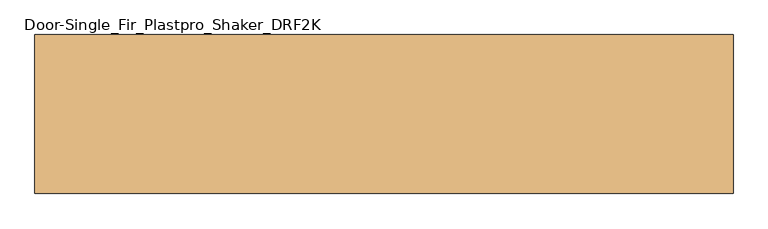
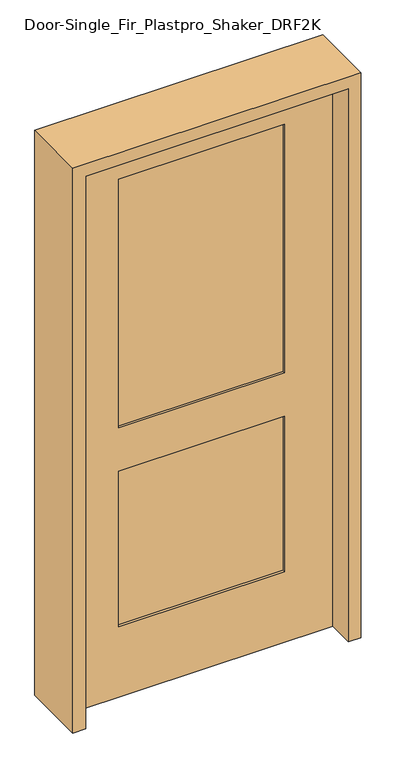
"""IFC4 building model written with IfcOpenShell, lengths in millimetres: door geometry, Door-Single_Fir_Plastpro_Shaker_DRF2K."""

from ifc_helpers import new_model, si_unit, frame, origin, place, context, project, spatial, polyline, outline, extrude, source, transform, mapped, element, save


def door_single_fir_plastpro_shaker_drf2k_55517ecd(model_context):
    return source(origin(), model_context, "Body", "SweptSolid", [
        extrude(outline(polyline([(2032.0, 457.2), (2032.0, -457.2), (0.0, -457.2), (0.0, 457.2), (2032.0, 457.2)]), holes=[polyline([(831.85, 288.925), (260.35, 288.925), (260.35, -288.925), (831.85, -288.925), (831.85, 288.925)]), polyline([(1905.0, -288.925), (1905.0, 288.925), (990.6, 288.925), (990.6, -288.925), (1905.0, -288.925)])]), frame((0.0, -20.6375, 0.0), z_axis=(0.0, 1.0, 0.0), x_axis=(0.0, 0.0, 1.0)), (0.0, 0.0, 1.0), 41.275),
        extrude(outline(polyline([(-288.925, -12.7), (-288.925, 14.2875), (288.925, 14.2875), (288.925, -12.7), (-288.925, -12.7)])), frame((0.0, 0.0, 990.6), z_axis=(0.0, 0.0, 1.0), x_axis=(1.0, 0.0, 0.0)), (0.0, 0.0, 1.0), 914.4),
        extrude(outline(polyline([(-288.925, -12.7), (-288.925, 14.2875), (288.925, 14.2875), (288.925, -12.7), (-288.925, -12.7)])), frame((0.0, 0.0, 260.35), z_axis=(0.0, 0.0, 1.0), x_axis=(1.0, 0.0, 0.0)), (0.0, 0.0, 1.0), 571.5),
        extrude(outline(polyline([(0.0, 457.2), (0.0, 501.65), (2076.45, 501.65), (2076.45, -501.65), (0.0, -501.65), (0.0, -457.2), (2032.0, -457.2), (2032.0, 457.2), (0.0, 457.2)])), frame((0.0, -114.3, 0.0), z_axis=(0.0, 1.0, 0.0), x_axis=(0.0, 0.0, 1.0)), (0.0, 0.0, 1.0), 228.6),
    ])


if __name__ == "__main__":
    model = new_model("IFC4")
    model_context = context("Model", 3, world=origin())
    ifc_project = project(units=[si_unit("LENGTHUNIT", "METRE", prefix="MILLI")], contexts=[model_context])
    site = spatial("IfcSite", under=ifc_project)
    building = spatial("IfcBuilding", under=site)
    placement = place(None, origin())
    door_single_fir_plastpro_shaker_drf2k_shape = door_single_fir_plastpro_shaker_drf2k_55517ecd(model_context)
    element("IfcDoor", 1, ObjectType="Door-Single_Fir_Plastpro_Shaker_DRF2K", at=placement, inside=building, context=model_context, shape_type="MappedRepresentation", body=[
        mapped(door_single_fir_plastpro_shaker_drf2k_shape, transform((0.0, 0.0, 0.0), x_axis=(1.0, 0.0, 0.0), y_axis=(0.0, 1.0, 0.0), z_axis=(0.0, 0.0, 1.0))),
    ])
    save(model, "model.ifc")
